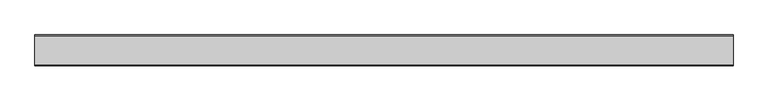
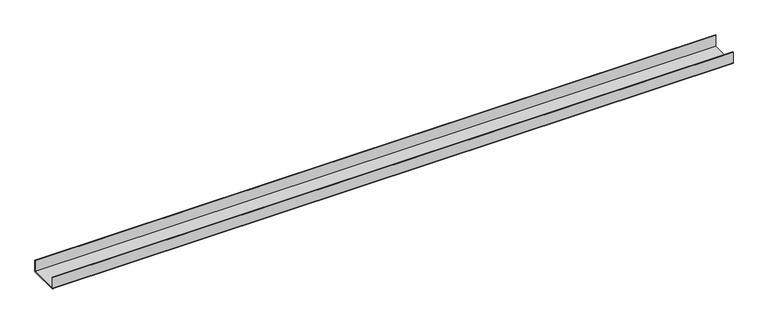
"""IFC4 building model written with IfcOpenShell, lengths in millimetres: proxy geometry."""

from ifc_helpers import new_model, si_unit, point, frame, frame_2d, origin, place, context, project, spatial, polyline, circle_curve, trimmed, segment, composite_curve, outline, extrude, source, transform, mapped, element, save


def generic_models_a7c05899(model_context):
    return source(origin(), model_context, "Body", "SweptSolid", [
        extrude(outline(composite_curve([segment(polyline([(-50.5, 2.0), (-50.5, 40.0), (-48.5, 40.0), (-48.5, 2.0), (48.5, 2.0), (48.5, 40.0), (50.5, 40.0), (50.5, 2.0)]), True, "CONTINUOUS"), segment(trimmed(circle_curve(frame_2d((48.5, 2.0)), 2.0), [point((50.5, 2.0))], [point((48.5, 0.0))], False, "CARTESIAN"), True, "CONTINUOUS"), segment(polyline([(48.5, 0.0), (-48.5, 0.0)]), True, "CONTINUOUS"), segment(trimmed(circle_curve(frame_2d((-48.5, 2.0)), 2.0), [point((-48.5, 0.0))], [point((-50.5, 2.0))], False, "CARTESIAN"), True, "CONTINUOUS")], self_intersect=False)), frame((0.0, 0.0, 0.0), z_axis=(1.0, 0.0, 0.0), x_axis=(0.0, 1.0, 0.0)), (0.0, 0.0, 1.0), 2275.0),
    ])


if __name__ == "__main__":
    model = new_model("IFC4")
    model_context = context("Model", 3, world=origin())
    ifc_project = project(units=[si_unit("LENGTHUNIT", "METRE", prefix="MILLI")], contexts=[model_context])
    site = spatial("IfcSite", under=ifc_project)
    building = spatial("IfcBuilding", under=site)
    placement = place(None, origin())
    generic_models_shape = generic_models_a7c05899(model_context)
    element("IfcBuildingElementProxy", 1, Name="Generic Models", at=placement, inside=building, context=model_context, shape_type="MappedRepresentation", body=[
        mapped(generic_models_shape, transform((0.0, 0.0, 0.0), x_axis=(1.0, 0.0, 0.0), y_axis=(0.0, 1.0, 0.0), z_axis=(0.0, 0.0, 1.0))),
    ])
    save(model, "model.ifc")
